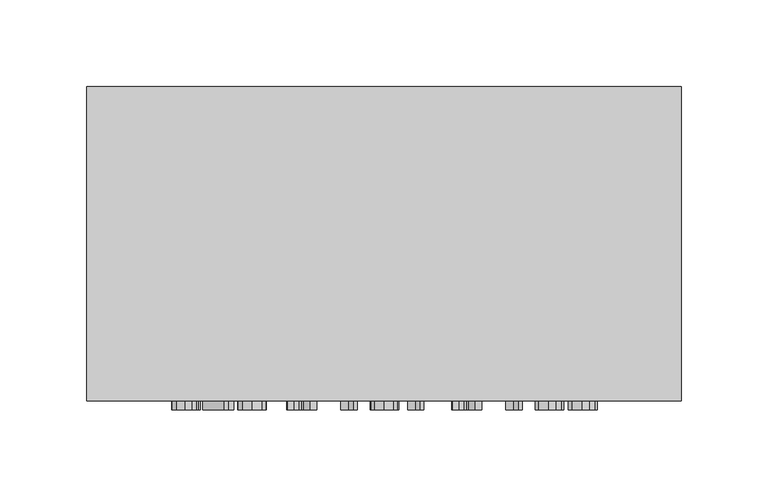
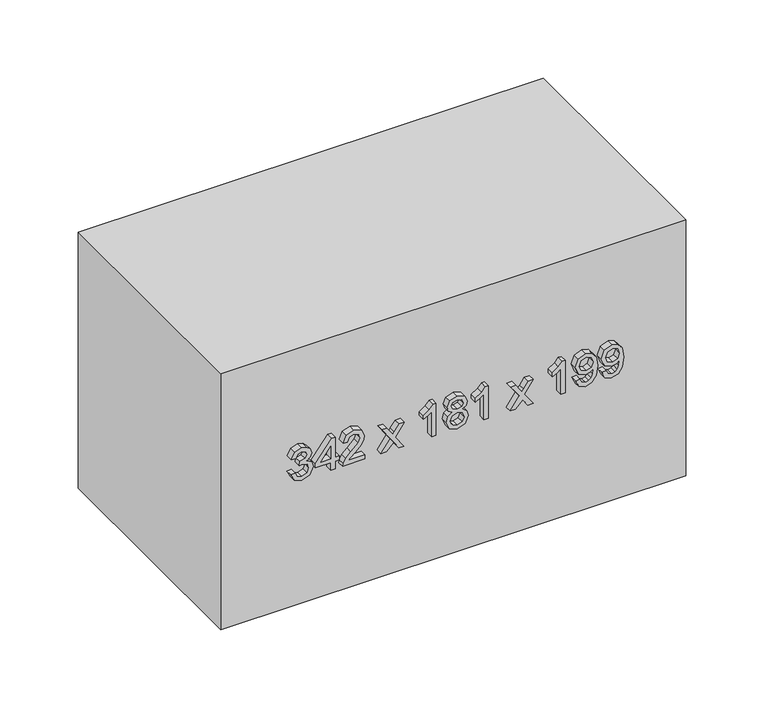
"""IFC4 building model written with IfcOpenShell, lengths in millimetres: furniture geometry."""

from ifc_helpers import new_model, si_unit, frame, origin, origin_with_axes, place, context, project, spatial, polyline, outline, extrude, source, transform, mapped, element, save


def furniture_9dc840f5(model_context):
    return source(origin(), model_context, "Body", "SweptSolid", [
        extrude(outline(polyline([(106.1709268, -77.5345978), (101.0757612, -75.0391316), (99.1075925, -69.5331644), (101.4129864, -63.4569801), (107.0293182, -61.0534844), (111.1128083, -62.2552323), (113.2587866, -65.6765349), (115.3373199, -63.1013609), (118.2313249, -62.2307068), (121.3981758, -63.1473461), (123.7526205, -65.7960965), (124.6140775, -69.5822154), (122.8666381, -74.5731478), (117.9431507, -77.1421904), (117.5507432, -74.0029307), (120.4937992, -72.4639577), (121.4748178, -69.4718508), (120.5029962, -66.5165321), (118.0473839, -65.3699665), (115.2760062, -66.9518591), (114.4114835, -71.0169551), (111.2722238, -71.366443), (111.6155804, -69.1652824), (110.3310591, -65.5968271), (107.0845005, -64.1927441), (103.6386724, -65.6090898), (102.2468522, -69.4227998), (103.2585277, -72.6632271), (106.5633343, -74.3953381), (106.1709268, -77.5345978)])), frame((0.0, -186.0, 0.0), z_axis=(0.0, 1.0, 0.0), x_axis=(0.0, 0.0, 1.0)), (0.0, 0.0, 1.0), 5.0),
        extrude(outline(polyline([(99.5, -48.1040382), (99.5, -44.9647785), (105.3861119, -44.9647785), (105.3861119, -41.8255188), (108.5253716, -41.8255188), (108.5253716, -44.9647785), (124.2216701, -44.9647785), (124.2216701, -47.3192233), (108.5253716, -59.4838546), (105.3861119, -59.4838546), (105.3861119, -48.1040382), (99.5, -48.1040382)]), holes=[polyline([(108.5253716, -48.1040382), (108.5253716, -55.6210937), (118.2251936, -48.1040382), (108.5253716, -48.1040382)])]), frame((0.0, -186.0, 0.0), z_axis=(0.0, 1.0, 0.0), x_axis=(0.0, 0.0, 1.0)), (0.0, 0.0, 1.0), 5.0),
        extrude(outline(polyline([(102.6392597, -22.9899607), (102.6392597, -35.3201389), (104.2364807, -33.9037932), (107.2561787, -30.2924183), (111.5573324, -25.7950609), (114.6352784, -23.9403225), (117.6120569, -23.3823681), (122.6029893, -25.4517044), (124.6140775, -31.0711018), (122.8053244, -36.6721052), (117.5507432, -39.0786666), (117.1583358, -35.9394069), (120.3282523, -34.6180974), (121.4748178, -31.1385469), (120.3006611, -27.8000178), (117.4219845, -26.5216278), (113.8657919, -27.8766598), (108.6357362, -33.2967879), (104.9967701, -37.2269939), (101.6643724, -39.1338489), (99.5, -39.4710741), (99.5, -22.9899607), (102.6392597, -22.9899607)])), frame((0.0, -186.0, 0.0), z_axis=(0.0, 1.0, 0.0), x_axis=(0.0, 0.0, 1.0)), (0.0, 0.0, 1.0), 5.0),
        extrude(outline(polyline([(99.5, -11.2177368), (99.5, -7.440815), (105.0734122, -1.9655047), (99.5, 1.8788622), (99.5, 5.655784), (108.7706263, -0.7331), (117.9431507, 5.9010387), (117.9431507, 2.1241169), (113.148422, -1.3462366), (111.4439021, -2.5786413), (113.5285667, -4.0011184), (117.9431507, -7.0484076), (117.9431507, -10.8253294), (108.7706263, -4.5100218), (99.5, -11.2177368)])), frame((0.0, -186.0, 0.0), z_axis=(0.0, 1.0, 0.0), x_axis=(0.0, 0.0, 1.0)), (0.0, 0.0, 1.0), 5.0),
        extrude(outline(polyline([(99.5, 29.2002317), (124.6140775, 29.2002317), (124.6140775, 27.1768807), (121.2724827, 24.3840433), (118.3355582, 19.7824526), (115.3679767, 19.7824526), (116.952935, 23.0872592), (119.0713221, 26.060972), (99.5, 26.060972), (99.5, 29.2002317)])), frame((0.0, -186.0, 0.0), z_axis=(0.0, 1.0, 0.0), x_axis=(0.0, 0.0, 1.0)), (0.0, 0.0, 1.0), 5.0),
        extrude(outline(polyline([(113.332363, 41.2299729), (111.0514946, 37.8454586), (106.8944281, 36.6559735), (101.3363443, 38.9245791), (99.1075925, 44.8965302), (101.3271472, 50.8684812), (106.808589, 53.1370869), (110.8706193, 51.993587), (113.332363, 48.6550579), (115.2729405, 51.4356326), (118.2313249, 52.3522719), (122.7562735, 50.2921328), (124.6140775, 44.8536106), (122.799193, 39.4641394), (118.3171641, 37.4407884), (115.2821376, 38.3696904), (113.332363, 41.2299729)]), holes=[polyline([(118.2251936, 40.5800481), (120.5183247, 41.7112852), (121.4748178, 44.8965302), (120.4968649, 48.0725781), (118.0841721, 49.2130122), (115.7542528, 48.1093663), (114.803891, 44.9333184), (115.7603842, 41.6928911), (118.2251936, 40.5800481)]), polyline([(107.0047927, 39.7952332), (110.3341248, 41.122674), (111.6646313, 44.8168224), (110.3157307, 48.6182697), (106.9066908, 49.9978272), (103.5620304, 48.6611892), (102.2468522, 44.9210556), (102.8722516, 42.1742034), (104.6411509, 40.319465), (107.0047927, 39.7952332)])]), frame((0.0, -186.0, 0.0), z_axis=(0.0, 1.0, 0.0), x_axis=(0.0, 0.0, 1.0)), (0.0, 0.0, 1.0), 5.0),
        extrude(outline(polyline([(99.5, 67.6561629), (124.6140775, 67.6561629), (124.6140775, 65.632812), (121.2724827, 62.8399745), (118.3355582, 58.2383839), (115.3679767, 58.2383839), (116.952935, 61.5431904), (119.0713221, 64.5169032), (99.5, 64.5169032), (99.5, 67.6561629)])), frame((0.0, -186.0, 0.0), z_axis=(0.0, 1.0, 0.0), x_axis=(0.0, 0.0, 1.0)), (0.0, 0.0, 1.0), 5.0),
        extrude(outline(polyline([(99.5, 83.7448689), (99.5, 87.5217907), (105.0734122, 92.997101), (99.5, 96.8414679), (99.5, 100.6183897), (108.7706263, 94.2295057), (117.9431507, 100.8636444), (117.9431507, 97.0867225), (113.148422, 93.6163691), (111.4439021, 92.3839644), (113.5285667, 90.9614873), (117.9431507, 87.9141981), (117.9431507, 84.1372763), (108.7706263, 90.4525839), (99.5, 83.7448689)])), frame((0.0, -186.0, 0.0), z_axis=(0.0, 1.0, 0.0), x_axis=(0.0, 0.0, 1.0)), (0.0, 0.0, 1.0), 5.0),
        extrude(outline(polyline([(99.5, 124.1628374), (124.6140775, 124.1628374), (124.6140775, 122.1394864), (121.2724827, 119.3466489), (118.3355582, 114.7450583), (115.3679767, 114.7450583), (116.952935, 118.0498649), (119.0713221, 121.0235777), (99.5, 121.0235777), (99.5, 124.1628374)])), frame((0.0, -186.0, 0.0), z_axis=(0.0, 1.0, 0.0), x_axis=(0.0, 0.0, 1.0)), (0.0, 0.0, 1.0), 5.0),
        extrude(outline(polyline([(105.7785194, 132.0109866), (100.8580977, 134.2611982), (99.1075925, 139.0865837), (100.5913833, 143.9334289), (104.910931, 147.0512289), (112.5352854, 148.0996925), (119.5618315, 147.0481632), (123.3019651, 143.9702171), (124.6140775, 139.4973852), (122.3148151, 133.865725), (116.2447621, 131.6185792), (110.3647816, 133.7614918), (108.1329642, 139.0068759), (109.0465378, 142.4496382), (110.8123714, 144.978827), (107.1703396, 144.5251058), (104.4418815, 143.4981019), (102.8446605, 141.7751879), (102.2468522, 139.2337365), (103.1757543, 136.5604606), (106.1709268, 135.1502463), (105.7785194, 132.0109866)]), holes=[polyline([(116.3183385, 144.9604329), (112.6119274, 143.5410215), (111.2722238, 139.9204495), (112.6119274, 136.1496591), (116.091478, 134.7578389), (119.9756987, 136.2293668), (121.4748178, 140.0062887), (120.0829976, 143.6054008), (116.3183385, 144.9604329)])]), frame((0.0, -186.0, 0.0), z_axis=(0.0, 1.0, 0.0), x_axis=(0.0, 0.0, 1.0)), (0.0, 0.0, 1.0), 5.0),
        extrude(outline(polyline([(105.7785194, 151.2389522), (100.8580977, 153.4891638), (99.1075925, 158.3145493), (100.5913833, 163.1613946), (104.910931, 166.2791945), (112.5352854, 167.3276582), (119.5618315, 166.2761288), (123.3019651, 163.1981828), (124.6140775, 158.7253508), (122.3148151, 153.0936906), (116.2447621, 150.8465448), (110.3647816, 152.9894574), (108.1329642, 158.2348415), (109.0465378, 161.6776039), (110.8123714, 164.2067926), (107.1703396, 163.7530714), (104.4418815, 162.7260675), (102.8446605, 161.0031535), (102.2468522, 158.4617021), (103.1757543, 155.7884262), (106.1709268, 154.3782119), (105.7785194, 151.2389522)]), holes=[polyline([(116.3183385, 164.1883985), (112.6119274, 162.7689871), (111.2722238, 159.1484151), (112.6119274, 155.3776247), (116.091478, 153.9858045), (119.9756987, 155.4573324), (121.4748178, 159.2342543), (120.0829976, 162.8333665), (116.3183385, 164.1883985)])]), frame((0.0, -186.0, 0.0), z_axis=(0.0, 1.0, 0.0), x_axis=(0.0, 0.0, 1.0)), (0.0, 0.0, 1.0), 5.0),
        extrude(outline(polyline([(215.7003264, 0.0), (215.7003264, -181.0), (-126.2996736, -181.0), (-126.2996736, 0.0), (215.7003264, 0.0)])), origin_with_axes(), (0.0, 0.0, 1.0), 199.0),
    ])


if __name__ == "__main__":
    model = new_model("IFC4")
    model_context = context("Model", 3, world=origin())
    ifc_project = project(units=[si_unit("LENGTHUNIT", "METRE", prefix="MILLI")], contexts=[model_context])
    site = spatial("IfcSite", under=ifc_project)
    building = spatial("IfcBuilding", under=site)
    placement = place(None, origin())
    furniture_shape = furniture_9dc840f5(model_context)
    element("IfcFurniture", 1, at=placement, inside=building, context=model_context, shape_type="MappedRepresentation", body=[
        mapped(furniture_shape, transform((0.0, 0.0, 0.0), x_axis=(1.0, 0.0, 0.0), y_axis=(0.0, 1.0, 0.0), z_axis=(0.0, 0.0, 1.0))),
    ])
    save(model, "model.ifc")
